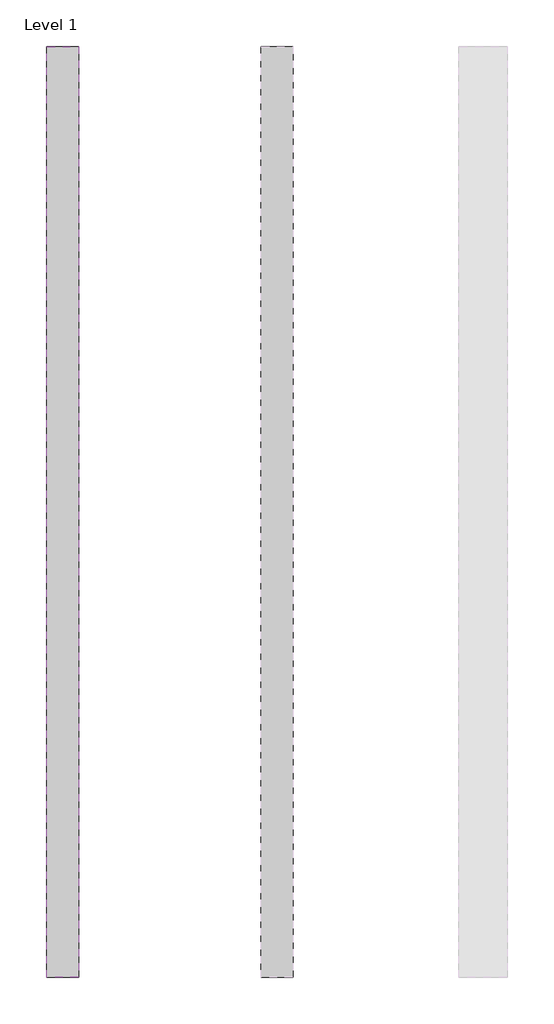
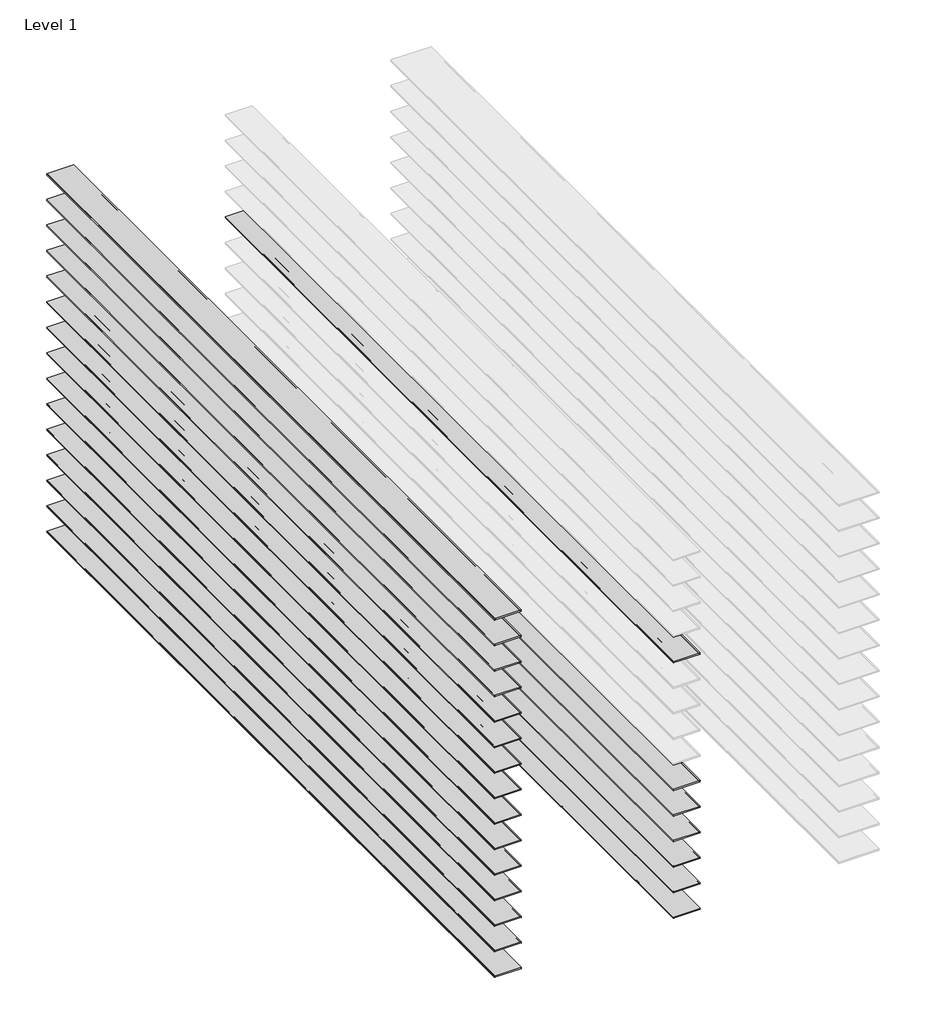
# One storey, part 1 of 3: 22 proxies.
"""IFC4 building model written with IfcOpenShell, lengths in millimetres."""

from ifc_helpers import new_model, si_unit, point, frame, frame_2d, origin, place, context, project, spatial, polyline, circle_curve, trimmed, segment, composite_curve, outline, extrude, element, save
from ifc_brep_helpers import plane_surface, revolved_surface, advanced_brep

model = new_model("IFC4")

# Units and contexts
model_context = context("Model", 3, world=origin())
ifc_project = project(units=[si_unit("LENGTHUNIT", "METRE", prefix="MILLI")], contexts=[model_context])

# Site, building, storey
site = spatial("IfcSite", under=ifc_project)
building = spatial("IfcBuilding", under=site)
storey = spatial("IfcBuildingStorey", under=building, Name="Level 1", Elevation=0.0)

# Proxies
placement = place(None, origin())
element("IfcBuildingElementProxy", 1, Name="Reveals", at=placement, inside=storey, context=model_context, shape_type="AdvancedBrep", body=[
    advanced_brep(
    [(-17571.0026773, 3227.6377356, 1209.675), (-17571.0026773, 3227.6377356, 1219.2), (-17774.2026773, 3227.6377356, 1219.2), (-17774.2026773, 3227.6377356, 1209.675), (-17571.0026773, 9069.6377356, 1209.675), (-17774.2026773, 9069.6377356, 1209.675), (-17774.2026773, 9069.6377356, 1219.2), (-17571.0026773, 9069.6377356, 1219.2)],
    [
        (0, 1, circle_curve(frame((-17571.0026773, 3227.6377356, 1214.4375), z_axis=(0.0, 1.0, 0.0), x_axis=(1.0, 0.0, 0.0)), 4.7625)),
        (1, 2),
        (2, 3, circle_curve(frame((-17774.2026773, 3227.6377356, 1214.4375), z_axis=(0.0, 1.0, 0.0), x_axis=(1.0, 0.0, 0.0)), 4.7625)),
        (3, 0),
        (4, 5),
        (5, 6, circle_curve(frame((-17774.2026773, 9069.6377356, 1214.4375), z_axis=(0.0, -1.0, 0.0), x_axis=(1.0, 0.0, 0.0)), 4.7625)),
        (6, 7),
        (7, 4, circle_curve(frame((-17571.0026773, 9069.6377356, 1214.4375), z_axis=(0.0, -1.0, 0.0), x_axis=(1.0, 0.0, 0.0)), 4.7625)),
        (0, 4),
        (7, 1),
        (6, 2),
        (5, 3),
    ],
    [
        plane_surface(frame((-17977.625797, 3227.6377356, 1219.2), z_axis=(0.0, -1.0, 0.0), x_axis=(0.0, 0.0, 1.0))),
        plane_surface(frame((-17977.625797, 9069.6377356, 1219.2), z_axis=(0.0, 1.0, 0.0), x_axis=(0.0, 0.0, 1.0))),
        revolved_surface(polyline([(-17566.2401773, 9069.6377356, 1214.4375), (-17566.2401773, 3227.6377356, 1214.4375)]), (-17571.0026773, 3227.6377356, 1214.4375), (0.0, 1.0, 0.0)),
        plane_surface(frame((-17571.0026773, 3227.6377356, 1219.2), z_axis=(0.0, 0.0, 1.0), x_axis=(0.0, 1.0, 0.0))),
        revolved_surface(polyline([(-17769.4401773, 9069.6377356, 1214.4375), (-17769.4401773, 3227.6377356, 1214.4375)]), (-17774.2026773, 3227.6377356, 1214.4375), (0.0, 1.0, 0.0)),
        plane_surface(frame((-17774.2026773, 3227.6377356, 1209.675), z_axis=(0.0, 0.0, -1.0), x_axis=(0.0, 1.0, 0.0))),
    ],
    [
        (0, [[1, 2, 3, 4]]),
        (1, [[5, 6, 7, 8]]),
        (2, [[-1, 9, -8, 10]]),
        (3, [[-2, -10, -7, 11]]),
        (4, [[-3, -11, -6, 12]]),
        (5, [[-4, -12, -5, -9]]),
    ],
),
])
element("IfcBuildingElementProxy", 2, Name="Reveals", at=placement, inside=storey, context=model_context, shape_type="AdvancedBrep", body=[
    advanced_brep(
    [(-17571.0026773, 3227.6377356, 1006.475), (-17571.0026773, 3227.6377356, 1016.0), (-17774.2026773, 3227.6377356, 1016.0), (-17774.2026773, 3227.6377356, 1006.475), (-17571.0026773, 9069.6377356, 1006.475), (-17774.2026773, 9069.6377356, 1006.475), (-17774.2026773, 9069.6377356, 1016.0), (-17571.0026773, 9069.6377356, 1016.0)],
    [
        (0, 1, circle_curve(frame((-17571.0026773, 3227.6377356, 1011.2375), z_axis=(0.0, 1.0, 0.0), x_axis=(1.0, 0.0, 0.0)), 4.7625)),
        (1, 2),
        (2, 3, circle_curve(frame((-17774.2026773, 3227.6377356, 1011.2375), z_axis=(0.0, 1.0, 0.0), x_axis=(1.0, 0.0, 0.0)), 4.7625)),
        (3, 0),
        (4, 5),
        (5, 6, circle_curve(frame((-17774.2026773, 9069.6377356, 1011.2375), z_axis=(0.0, -1.0, 0.0), x_axis=(1.0, 0.0, 0.0)), 4.7625)),
        (6, 7),
        (7, 4, circle_curve(frame((-17571.0026773, 9069.6377356, 1011.2375), z_axis=(0.0, -1.0, 0.0), x_axis=(1.0, 0.0, 0.0)), 4.7625)),
        (0, 4),
        (7, 1),
        (6, 2),
        (5, 3),
    ],
    [
        plane_surface(frame((-17977.625797, 3227.6377356, 1016.0), z_axis=(0.0, -1.0, 0.0), x_axis=(0.0, 0.0, 1.0))),
        plane_surface(frame((-17977.625797, 9069.6377356, 1016.0), z_axis=(0.0, 1.0, 0.0), x_axis=(0.0, 0.0, 1.0))),
        revolved_surface(polyline([(-17566.2401773, 9069.6377356, 1011.2375), (-17566.2401773, 3227.6377356, 1011.2375)]), (-17571.0026773, 3227.6377356, 1011.2375), (0.0, 1.0, 0.0)),
        plane_surface(frame((-17571.0026773, 3227.6377356, 1016.0), z_axis=(0.0, 0.0, 1.0), x_axis=(0.0, 1.0, 0.0))),
        revolved_surface(polyline([(-17769.4401773, 9069.6377356, 1011.2375), (-17769.4401773, 3227.6377356, 1011.2375)]), (-17774.2026773, 3227.6377356, 1011.2375), (0.0, 1.0, 0.0)),
        plane_surface(frame((-17774.2026773, 3227.6377356, 1006.475), z_axis=(0.0, 0.0, -1.0), x_axis=(0.0, 1.0, 0.0))),
    ],
    [
        (0, [[1, 2, 3, 4]]),
        (1, [[5, 6, 7, 8]]),
        (2, [[-1, 9, -8, 10]]),
        (3, [[-2, -10, -7, 11]]),
        (4, [[-3, -11, -6, 12]]),
        (5, [[-4, -12, -5, -9]]),
    ],
),
])
element("IfcBuildingElementProxy", 3, Name="Reveals", at=placement, inside=storey, context=model_context, shape_type="SweptSolid", body=[
    extrude(outline(composite_curve([segment(polyline([(-17571.0026773, 803.275), (-17774.2026773, 803.275)]), True, "CONTINUOUS"), segment(trimmed(circle_curve(frame_2d((-17774.2026773, 808.0375)), 4.7625), [point((-17774.2026773, 803.275))], [point((-17774.2026773, 812.8))], True, "CARTESIAN"), True, "CONTINUOUS"), segment(polyline([(-17774.2026773, 812.8), (-17571.0026773, 812.8)]), True, "CONTINUOUS"), segment(trimmed(circle_curve(frame_2d((-17571.0026773, 808.0375)), 4.7625), [point((-17571.0026773, 812.8))], [point((-17571.0026773, 803.275))], True, "CARTESIAN"), True, "CONTINUOUS")], self_intersect=False)), frame((0.0, 9069.6377356, 0.0), z_axis=(0.0, -1.0, 0.0), x_axis=(1.0, 0.0, 0.0)), (0.0, 0.0, 1.0), 5842.0),
])
element("IfcBuildingElementProxy", 4, Name="Reveals", at=placement, inside=storey, context=model_context, shape_type="AdvancedBrep", body=[
    advanced_brep(
    [(-17571.0026773, 3227.6377356, 600.075), (-17571.0026773, 3227.6377356, 609.6), (-17774.2026773, 3227.6377356, 609.6), (-17774.2026773, 3227.6377356, 600.075), (-17571.0026773, 9069.6377356, 600.075), (-17774.2026773, 9069.6377356, 600.075), (-17774.2026773, 9069.6377356, 609.6), (-17571.0026773, 9069.6377356, 609.6)],
    [
        (0, 1, circle_curve(frame((-17571.0026773, 3227.6377356, 604.8375), z_axis=(0.0, 1.0, 0.0), x_axis=(1.0, 0.0, 0.0)), 4.7625)),
        (1, 2),
        (2, 3, circle_curve(frame((-17774.2026773, 3227.6377356, 604.8375), z_axis=(0.0, 1.0, 0.0), x_axis=(1.0, 0.0, 0.0)), 4.7625)),
        (3, 0),
        (4, 5),
        (5, 6, circle_curve(frame((-17774.2026773, 9069.6377356, 604.8375), z_axis=(0.0, -1.0, 0.0), x_axis=(1.0, 0.0, 0.0)), 4.7625)),
        (6, 7),
        (7, 4, circle_curve(frame((-17571.0026773, 9069.6377356, 604.8375), z_axis=(0.0, -1.0, 0.0), x_axis=(1.0, 0.0, 0.0)), 4.7625)),
        (0, 4),
        (7, 1),
        (6, 2),
        (5, 3),
    ],
    [
        plane_surface(frame((-17977.625797, 3227.6377356, 609.6), z_axis=(0.0, -1.0, 0.0), x_axis=(0.0, 0.0, 1.0))),
        plane_surface(frame((-17977.625797, 9069.6377356, 609.6), z_axis=(0.0, 1.0, 0.0), x_axis=(0.0, 0.0, 1.0))),
        revolved_surface(polyline([(-17566.2401773, 9069.6377356, 604.8375), (-17566.2401773, 3227.6377356, 604.8375)]), (-17571.0026773, 3227.6377356, 604.8375), (0.0, 1.0, 0.0)),
        plane_surface(frame((-17571.0026773, 3227.6377356, 609.6), z_axis=(0.0, 0.0, 1.0), x_axis=(0.0, 1.0, 0.0))),
        revolved_surface(polyline([(-17769.4401773, 9069.6377356, 604.8375), (-17769.4401773, 3227.6377356, 604.8375)]), (-17774.2026773, 3227.6377356, 604.8375), (0.0, 1.0, 0.0)),
        plane_surface(frame((-17774.2026773, 3227.6377356, 600.075), z_axis=(0.0, 0.0, -1.0), x_axis=(0.0, 1.0, 0.0))),
    ],
    [
        (0, [[1, 2, 3, 4]]),
        (1, [[5, 6, 7, 8]]),
        (2, [[-1, 9, -8, 10]]),
        (3, [[-2, -10, -7, 11]]),
        (4, [[-3, -11, -6, 12]]),
        (5, [[-4, -12, -5, -9]]),
    ],
),
])
element("IfcBuildingElementProxy", 5, Name="Reveals", at=placement, inside=storey, context=model_context, shape_type="SweptSolid", body=[
    extrude(outline(composite_curve([segment(trimmed(circle_curve(frame_2d((401.6375, -17571.0026773)), 4.7625), [point((396.875, -17571.0026773))], [point((406.4, -17571.0026773))], True, "CARTESIAN"), True, "CONTINUOUS"), segment(polyline([(406.4, -17571.0026773), (406.4, -17774.2026773)]), True, "CONTINUOUS"), segment(trimmed(circle_curve(frame_2d((401.6375, -17774.2026773)), 4.7625), [point((406.4, -17774.2026773))], [point((396.875, -17774.2026773))], True, "CARTESIAN"), True, "CONTINUOUS"), segment(polyline([(396.875, -17774.2026773), (396.875, -17571.0026773)]), True, "CONTINUOUS")], self_intersect=False)), frame((0.0, 3227.6377356, 0.0), z_axis=(0.0, 1.0, 0.0), x_axis=(0.0, 0.0, 1.0)), (0.0, 0.0, 1.0), 5842.0),
])
element("IfcBuildingElementProxy", 6, Name="Reveals", at=placement, inside=storey, context=model_context, shape_type="SweptSolid", body=[
    extrude(outline(composite_curve([segment(trimmed(circle_curve(frame_2d((198.4375, -17571.0026773)), 4.7625), [point((193.675, -17571.0026773))], [point((203.2, -17571.0026773))], True, "CARTESIAN"), True, "CONTINUOUS"), segment(polyline([(203.2, -17571.0026773), (203.2, -17774.2026773)]), True, "CONTINUOUS"), segment(trimmed(circle_curve(frame_2d((198.4375, -17774.2026773)), 4.7625), [point((203.2, -17774.2026773))], [point((193.675, -17774.2026773))], True, "CARTESIAN"), True, "CONTINUOUS"), segment(polyline([(193.675, -17774.2026773), (193.675, -17571.0026773)]), True, "CONTINUOUS")], self_intersect=False)), frame((0.0, 3227.6377356, 0.0), z_axis=(0.0, 1.0, 0.0), x_axis=(0.0, 0.0, 1.0)), (0.0, 0.0, 1.0), 5842.0),
])
element("IfcBuildingElementProxy", 7, Name="Reveals", at=placement, inside=storey, context=model_context, shape_type="AdvancedBrep", body=[
    advanced_brep(
    [(-17571.0026773, 3227.6377356, 2225.675), (-17571.0026773, 3227.6377356, 2235.2), (-17774.2026773, 3227.6377356, 2235.2), (-17774.2026773, 3227.6377356, 2225.675), (-17571.0026773, 9069.6377356, 2225.675), (-17774.2026773, 9069.6377356, 2225.675), (-17774.2026773, 9069.6377356, 2235.2), (-17571.0026773, 9069.6377356, 2235.2)],
    [
        (0, 1, circle_curve(frame((-17571.0026773, 3227.6377356, 2230.4375), z_axis=(0.0, 1.0, 0.0), x_axis=(1.0, 0.0, 0.0)), 4.7625)),
        (1, 2),
        (2, 3, circle_curve(frame((-17774.2026773, 3227.6377356, 2230.4375), z_axis=(0.0, 1.0, 0.0), x_axis=(1.0, 0.0, 0.0)), 4.7625)),
        (3, 0),
        (4, 5),
        (5, 6, circle_curve(frame((-17774.2026773, 9069.6377356, 2230.4375), z_axis=(0.0, -1.0, 0.0), x_axis=(1.0, 0.0, 0.0)), 4.7625)),
        (6, 7),
        (7, 4, circle_curve(frame((-17571.0026773, 9069.6377356, 2230.4375), z_axis=(0.0, -1.0, 0.0), x_axis=(1.0, 0.0, 0.0)), 4.7625)),
        (0, 4),
        (7, 1),
        (6, 2),
        (5, 3),
    ],
    [
        plane_surface(frame((-17977.625797, 3227.6377356, 2235.2), z_axis=(0.0, -1.0, 0.0), x_axis=(0.0, 0.0, 1.0))),
        plane_surface(frame((-17977.625797, 9069.6377356, 2235.2), z_axis=(0.0, 1.0, 0.0), x_axis=(0.0, 0.0, 1.0))),
        revolved_surface(polyline([(-17566.2401773, 9069.6377356, 2230.4375), (-17566.2401773, 3227.6377356, 2230.4375)]), (-17571.0026773, 3227.6377356, 2230.4375), (0.0, 1.0, 0.0)),
        plane_surface(frame((-17571.0026773, 3227.6377356, 2235.2), z_axis=(0.0, 0.0, 1.0), x_axis=(0.0, 1.0, 0.0))),
        revolved_surface(polyline([(-17769.4401773, 9069.6377356, 2230.4375), (-17769.4401773, 3227.6377356, 2230.4375)]), (-17774.2026773, 3227.6377356, 2230.4375), (0.0, 1.0, 0.0)),
        plane_surface(frame((-17774.2026773, 3227.6377356, 2225.675), z_axis=(0.0, 0.0, -1.0), x_axis=(0.0, 1.0, 0.0))),
    ],
    [
        (0, [[1, 2, 3, 4]]),
        (1, [[5, 6, 7, 8]]),
        (2, [[-1, 9, -8, 10]]),
        (3, [[-2, -10, -7, 11]]),
        (4, [[-3, -11, -6, 12]]),
        (5, [[-4, -12, -5, -9]]),
    ],
),
])
element("IfcBuildingElementProxy", 8, Name="Reveals", at=placement, inside=storey, context=model_context, shape_type="AdvancedBrep", body=[
    advanced_brep(
    [(-18917.2026773, 3227.6377356, 1209.675), (-18917.2026773, 3227.6377356, 1219.2), (-19120.4026773, 3227.6377356, 1219.2), (-19120.4026773, 3227.6377356, 1209.675), (-18917.2026773, 9069.6377356, 1209.675), (-19120.4026773, 9069.6377356, 1209.675), (-19120.4026773, 9069.6377356, 1219.2), (-18917.2026773, 9069.6377356, 1219.2)],
    [
        (0, 1, circle_curve(frame((-18917.2026773, 3227.6377356, 1214.4375), z_axis=(0.0, 1.0, 0.0), x_axis=(1.0, 0.0, 0.0)), 4.7625)),
        (1, 2),
        (2, 3, circle_curve(frame((-19120.4026773, 3227.6377356, 1214.4375), z_axis=(0.0, 1.0, 0.0), x_axis=(1.0, 0.0, 0.0)), 4.7625)),
        (3, 0),
        (4, 5),
        (5, 6, circle_curve(frame((-19120.4026773, 9069.6377356, 1214.4375), z_axis=(0.0, -1.0, 0.0), x_axis=(1.0, 0.0, 0.0)), 4.7625)),
        (6, 7),
        (7, 4, circle_curve(frame((-18917.2026773, 9069.6377356, 1214.4375), z_axis=(0.0, -1.0, 0.0), x_axis=(1.0, 0.0, 0.0)), 4.7625)),
        (0, 4),
        (7, 1),
        (6, 2),
        (5, 3),
    ],
    [
        plane_surface(frame((-19323.825797, 3227.6377356, 1219.2), z_axis=(0.0, -1.0, 0.0), x_axis=(0.0, 0.0, 1.0))),
        plane_surface(frame((-19323.825797, 9069.6377356, 1219.2), z_axis=(0.0, 1.0, 0.0), x_axis=(0.0, 0.0, 1.0))),
        revolved_surface(polyline([(-18912.4401773, 9069.6377356, 1214.4375), (-18912.4401773, 3227.6377356, 1214.4375)]), (-18917.2026773, 3227.6377356, 1214.4375), (0.0, 1.0, 0.0)),
        plane_surface(frame((-18917.2026773, 3227.6377356, 1219.2), z_axis=(0.0, 0.0, 1.0), x_axis=(0.0, 1.0, 0.0))),
        revolved_surface(polyline([(-19115.6401773, 9069.6377356, 1214.4375), (-19115.6401773, 3227.6377356, 1214.4375)]), (-19120.4026773, 3227.6377356, 1214.4375), (0.0, 1.0, 0.0)),
        plane_surface(frame((-19120.4026773, 3227.6377356, 1209.675), z_axis=(0.0, 0.0, -1.0), x_axis=(0.0, 1.0, 0.0))),
    ],
    [
        (0, [[1, 2, 3, 4]]),
        (1, [[5, 6, 7, 8]]),
        (2, [[-1, 9, -8, 10]]),
        (3, [[-2, -10, -7, 11]]),
        (4, [[-3, -11, -6, 12]]),
        (5, [[-4, -12, -5, -9]]),
    ],
),
])
element("IfcBuildingElementProxy", 9, Name="Reveals", at=placement, inside=storey, context=model_context, shape_type="AdvancedBrep", body=[
    advanced_brep(
    [(-18917.2026773, 3227.6377356, 1006.475), (-18917.2026773, 3227.6377356, 1016.0), (-19120.4026773, 3227.6377356, 1016.0), (-19120.4026773, 3227.6377356, 1006.475), (-18917.2026773, 9069.6377356, 1006.475), (-19120.4026773, 9069.6377356, 1006.475), (-19120.4026773, 9069.6377356, 1016.0), (-18917.2026773, 9069.6377356, 1016.0)],
    [
        (0, 1, circle_curve(frame((-18917.2026773, 3227.6377356, 1011.2375), z_axis=(0.0, 1.0, 0.0), x_axis=(1.0, 0.0, 0.0)), 4.7625)),
        (1, 2),
        (2, 3, circle_curve(frame((-19120.4026773, 3227.6377356, 1011.2375), z_axis=(0.0, 1.0, 0.0), x_axis=(1.0, 0.0, 0.0)), 4.7625)),
        (3, 0),
        (4, 5),
        (5, 6, circle_curve(frame((-19120.4026773, 9069.6377356, 1011.2375), z_axis=(0.0, -1.0, 0.0), x_axis=(1.0, 0.0, 0.0)), 4.7625)),
        (6, 7),
        (7, 4, circle_curve(frame((-18917.2026773, 9069.6377356, 1011.2375), z_axis=(0.0, -1.0, 0.0), x_axis=(1.0, 0.0, 0.0)), 4.7625)),
        (0, 4),
        (7, 1),
        (6, 2),
        (5, 3),
    ],
    [
        plane_surface(frame((-19323.825797, 3227.6377356, 1016.0), z_axis=(0.0, -1.0, 0.0), x_axis=(0.0, 0.0, 1.0))),
        plane_surface(frame((-19323.825797, 9069.6377356, 1016.0), z_axis=(0.0, 1.0, 0.0), x_axis=(0.0, 0.0, 1.0))),
        revolved_surface(polyline([(-18912.4401773, 9069.6377356, 1011.2375), (-18912.4401773, 3227.6377356, 1011.2375)]), (-18917.2026773, 3227.6377356, 1011.2375), (0.0, 1.0, 0.0)),
        plane_surface(frame((-18917.2026773, 3227.6377356, 1016.0), z_axis=(0.0, 0.0, 1.0), x_axis=(0.0, 1.0, 0.0))),
        revolved_surface(polyline([(-19115.6401773, 9069.6377356, 1011.2375), (-19115.6401773, 3227.6377356, 1011.2375)]), (-19120.4026773, 3227.6377356, 1011.2375), (0.0, 1.0, 0.0)),
        plane_surface(frame((-19120.4026773, 3227.6377356, 1006.475), z_axis=(0.0, 0.0, -1.0), x_axis=(0.0, 1.0, 0.0))),
    ],
    [
        (0, [[1, 2, 3, 4]]),
        (1, [[5, 6, 7, 8]]),
        (2, [[-1, 9, -8, 10]]),
        (3, [[-2, -10, -7, 11]]),
        (4, [[-3, -11, -6, 12]]),
        (5, [[-4, -12, -5, -9]]),
    ],
),
])
element("IfcBuildingElementProxy", 10, Name="Reveals", at=placement, inside=storey, context=model_context, shape_type="SweptSolid", body=[
    extrude(outline(composite_curve([segment(polyline([(-18917.2026773, 803.275), (-19120.4026773, 803.275)]), True, "CONTINUOUS"), segment(trimmed(circle_curve(frame_2d((-19120.4026773, 808.0375)), 4.7625), [point((-19120.4026773, 803.275))], [point((-19120.4026773, 812.8))], True, "CARTESIAN"), True, "CONTINUOUS"), segment(polyline([(-19120.4026773, 812.8), (-18917.2026773, 812.8)]), True, "CONTINUOUS"), segment(trimmed(circle_curve(frame_2d((-18917.2026773, 808.0375)), 4.7625), [point((-18917.2026773, 812.8))], [point((-18917.2026773, 803.275))], True, "CARTESIAN"), True, "CONTINUOUS")], self_intersect=False)), frame((0.0, 9069.6377356, 0.0), z_axis=(0.0, -1.0, 0.0), x_axis=(1.0, 0.0, 0.0)), (0.0, 0.0, 1.0), 5842.0),
])
element("IfcBuildingElementProxy", 11, Name="Reveals", at=placement, inside=storey, context=model_context, shape_type="AdvancedBrep", body=[
    advanced_brep(
    [(-18917.2026773, 3227.6377356, 600.075), (-18917.2026773, 3227.6377356, 609.6), (-19120.4026773, 3227.6377356, 609.6), (-19120.4026773, 3227.6377356, 600.075), (-18917.2026773, 9069.6377356, 600.075), (-19120.4026773, 9069.6377356, 600.075), (-19120.4026773, 9069.6377356, 609.6), (-18917.2026773, 9069.6377356, 609.6)],
    [
        (0, 1, circle_curve(frame((-18917.2026773, 3227.6377356, 604.8375), z_axis=(0.0, 1.0, 0.0), x_axis=(1.0, 0.0, 0.0)), 4.7625)),
        (1, 2),
        (2, 3, circle_curve(frame((-19120.4026773, 3227.6377356, 604.8375), z_axis=(0.0, 1.0, 0.0), x_axis=(1.0, 0.0, 0.0)), 4.7625)),
        (3, 0),
        (4, 5),
        (5, 6, circle_curve(frame((-19120.4026773, 9069.6377356, 604.8375), z_axis=(0.0, -1.0, 0.0), x_axis=(1.0, 0.0, 0.0)), 4.7625)),
        (6, 7),
        (7, 4, circle_curve(frame((-18917.2026773, 9069.6377356, 604.8375), z_axis=(0.0, -1.0, 0.0), x_axis=(1.0, 0.0, 0.0)), 4.7625)),
        (0, 4),
        (7, 1),
        (6, 2),
        (5, 3),
    ],
    [
        plane_surface(frame((-19323.825797, 3227.6377356, 609.6), z_axis=(0.0, -1.0, 0.0), x_axis=(0.0, 0.0, 1.0))),
        plane_surface(frame((-19323.825797, 9069.6377356, 609.6), z_axis=(0.0, 1.0, 0.0), x_axis=(0.0, 0.0, 1.0))),
        revolved_surface(polyline([(-18912.4401773, 9069.6377356, 604.8375), (-18912.4401773, 3227.6377356, 604.8375)]), (-18917.2026773, 3227.6377356, 604.8375), (0.0, 1.0, 0.0)),
        plane_surface(frame((-18917.2026773, 3227.6377356, 609.6), z_axis=(0.0, 0.0, 1.0), x_axis=(0.0, 1.0, 0.0))),
        revolved_surface(polyline([(-19115.6401773, 9069.6377356, 604.8375), (-19115.6401773, 3227.6377356, 604.8375)]), (-19120.4026773, 3227.6377356, 604.8375), (0.0, 1.0, 0.0)),
        plane_surface(frame((-19120.4026773, 3227.6377356, 600.075), z_axis=(0.0, 0.0, -1.0), x_axis=(0.0, 1.0, 0.0))),
    ],
    [
        (0, [[1, 2, 3, 4]]),
        (1, [[5, 6, 7, 8]]),
        (2, [[-1, 9, -8, 10]]),
        (3, [[-2, -10, -7, 11]]),
        (4, [[-3, -11, -6, 12]]),
        (5, [[-4, -12, -5, -9]]),
    ],
),
])
element("IfcBuildingElementProxy", 12, Name="Reveals", at=placement, inside=storey, context=model_context, shape_type="SweptSolid", body=[
    extrude(outline(composite_curve([segment(trimmed(circle_curve(frame_2d((401.6375, -18917.2026773)), 4.7625), [point((396.875, -18917.2026773))], [point((406.4, -18917.2026773))], True, "CARTESIAN"), True, "CONTINUOUS"), segment(polyline([(406.4, -18917.2026773), (406.4, -19120.4026773)]), True, "CONTINUOUS"), segment(trimmed(circle_curve(frame_2d((401.6375, -19120.4026773)), 4.7625), [point((406.4, -19120.4026773))], [point((396.875, -19120.4026773))], True, "CARTESIAN"), True, "CONTINUOUS"), segment(polyline([(396.875, -19120.4026773), (396.875, -18917.2026773)]), True, "CONTINUOUS")], self_intersect=False)), frame((0.0, 3227.6377356, 0.0), z_axis=(0.0, 1.0, 0.0), x_axis=(0.0, 0.0, 1.0)), (0.0, 0.0, 1.0), 5842.0),
])
element("IfcBuildingElementProxy", 13, Name="Reveals", at=placement, inside=storey, context=model_context, shape_type="SweptSolid", body=[
    extrude(outline(composite_curve([segment(trimmed(circle_curve(frame_2d((198.4375, -18917.2026773)), 4.7625), [point((193.675, -18917.2026773))], [point((203.2, -18917.2026773))], True, "CARTESIAN"), True, "CONTINUOUS"), segment(polyline([(203.2, -18917.2026773), (203.2, -19120.4026773)]), True, "CONTINUOUS"), segment(trimmed(circle_curve(frame_2d((198.4375, -19120.4026773)), 4.7625), [point((203.2, -19120.4026773))], [point((193.675, -19120.4026773))], True, "CARTESIAN"), True, "CONTINUOUS"), segment(polyline([(193.675, -19120.4026773), (193.675, -18917.2026773)]), True, "CONTINUOUS")], self_intersect=False)), frame((0.0, 3227.6377356, 0.0), z_axis=(0.0, 1.0, 0.0), x_axis=(0.0, 0.0, 1.0)), (0.0, 0.0, 1.0), 5842.0),
])
element("IfcBuildingElementProxy", 14, Name="Reveals", at=placement, inside=storey, context=model_context, shape_type="AdvancedBrep", body=[
    advanced_brep(
    [(-18917.2026773, 3227.6377356, 2225.675), (-18917.2026773, 3227.6377356, 2235.2), (-19120.4026773, 3227.6377356, 2235.2), (-19120.4026773, 3227.6377356, 2225.675), (-18917.2026773, 9069.6377356, 2225.675), (-19120.4026773, 9069.6377356, 2225.675), (-19120.4026773, 9069.6377356, 2235.2), (-18917.2026773, 9069.6377356, 2235.2)],
    [
        (0, 1, circle_curve(frame((-18917.2026773, 3227.6377356, 2230.4375), z_axis=(0.0, 1.0, 0.0), x_axis=(1.0, 0.0, 0.0)), 4.7625)),
        (1, 2),
        (2, 3, circle_curve(frame((-19120.4026773, 3227.6377356, 2230.4375), z_axis=(0.0, 1.0, 0.0), x_axis=(1.0, 0.0, 0.0)), 4.7625)),
        (3, 0),
        (4, 5),
        (5, 6, circle_curve(frame((-19120.4026773, 9069.6377356, 2230.4375), z_axis=(0.0, -1.0, 0.0), x_axis=(1.0, 0.0, 0.0)), 4.7625)),
        (6, 7),
        (7, 4, circle_curve(frame((-18917.2026773, 9069.6377356, 2230.4375), z_axis=(0.0, -1.0, 0.0), x_axis=(1.0, 0.0, 0.0)), 4.7625)),
        (0, 4),
        (7, 1),
        (6, 2),
        (5, 3),
    ],
    [
        plane_surface(frame((-19323.825797, 3227.6377356, 2235.2), z_axis=(0.0, -1.0, 0.0), x_axis=(0.0, 0.0, 1.0))),
        plane_surface(frame((-19323.825797, 9069.6377356, 2235.2), z_axis=(0.0, 1.0, 0.0), x_axis=(0.0, 0.0, 1.0))),
        revolved_surface(polyline([(-18912.4401773, 9069.6377356, 2230.4375), (-18912.4401773, 3227.6377356, 2230.4375)]), (-18917.2026773, 3227.6377356, 2230.4375), (0.0, 1.0, 0.0)),
        plane_surface(frame((-18917.2026773, 3227.6377356, 2235.2), z_axis=(0.0, 0.0, 1.0), x_axis=(0.0, 1.0, 0.0))),
        revolved_surface(polyline([(-19115.6401773, 9069.6377356, 2230.4375), (-19115.6401773, 3227.6377356, 2230.4375)]), (-19120.4026773, 3227.6377356, 2230.4375), (0.0, 1.0, 0.0)),
        plane_surface(frame((-19120.4026773, 3227.6377356, 2225.675), z_axis=(0.0, 0.0, -1.0), x_axis=(0.0, 1.0, 0.0))),
    ],
    [
        (0, [[1, 2, 3, 4]]),
        (1, [[5, 6, 7, 8]]),
        (2, [[-1, 9, -8, 10]]),
        (3, [[-2, -10, -7, 11]]),
        (4, [[-3, -11, -6, 12]]),
        (5, [[-4, -12, -5, -9]]),
    ],
),
])
element("IfcBuildingElementProxy", 15, Name="Reveals", at=placement, inside=storey, context=model_context, shape_type="AdvancedBrep", body=[
    advanced_brep(
    [(-18917.2026773, 3227.6377356, 2022.475), (-18917.2026773, 3227.6377356, 2032.0), (-19120.4026773, 3227.6377356, 2032.0), (-19120.4026773, 3227.6377356, 2022.475), (-18917.2026773, 9069.6377356, 2022.475), (-19120.4026773, 9069.6377356, 2022.475), (-19120.4026773, 9069.6377356, 2032.0), (-18917.2026773, 9069.6377356, 2032.0)],
    [
        (0, 1, circle_curve(frame((-18917.2026773, 3227.6377356, 2027.2375), z_axis=(0.0, 1.0, 0.0), x_axis=(1.0, 0.0, 0.0)), 4.7625)),
        (1, 2),
        (2, 3, circle_curve(frame((-19120.4026773, 3227.6377356, 2027.2375), z_axis=(0.0, 1.0, 0.0), x_axis=(1.0, 0.0, 0.0)), 4.7625)),
        (3, 0),
        (4, 5),
        (5, 6, circle_curve(frame((-19120.4026773, 9069.6377356, 2027.2375), z_axis=(0.0, -1.0, 0.0), x_axis=(1.0, 0.0, 0.0)), 4.7625)),
        (6, 7),
        (7, 4, circle_curve(frame((-18917.2026773, 9069.6377356, 2027.2375), z_axis=(0.0, -1.0, 0.0), x_axis=(1.0, 0.0, 0.0)), 4.7625)),
        (0, 4),
        (7, 1),
        (6, 2),
        (5, 3),
    ],
    [
        plane_surface(frame((-19323.825797, 3227.6377356, 2032.0), z_axis=(0.0, -1.0, 0.0), x_axis=(0.0, 0.0, 1.0))),
        plane_surface(frame((-19323.825797, 9069.6377356, 2032.0), z_axis=(0.0, 1.0, 0.0), x_axis=(0.0, 0.0, 1.0))),
        revolved_surface(polyline([(-18912.4401773, 9069.6377356, 2027.2375), (-18912.4401773, 3227.6377356, 2027.2375)]), (-18917.2026773, 3227.6377356, 2027.2375), (0.0, 1.0, 0.0)),
        plane_surface(frame((-18917.2026773, 3227.6377356, 2032.0), z_axis=(0.0, 0.0, 1.0), x_axis=(0.0, 1.0, 0.0))),
        revolved_surface(polyline([(-19115.6401773, 9069.6377356, 2027.2375), (-19115.6401773, 3227.6377356, 2027.2375)]), (-19120.4026773, 3227.6377356, 2027.2375), (0.0, 1.0, 0.0)),
        plane_surface(frame((-19120.4026773, 3227.6377356, 2022.475), z_axis=(0.0, 0.0, -1.0), x_axis=(0.0, 1.0, 0.0))),
    ],
    [
        (0, [[1, 2, 3, 4]]),
        (1, [[5, 6, 7, 8]]),
        (2, [[-1, 9, -8, 10]]),
        (3, [[-2, -10, -7, 11]]),
        (4, [[-3, -11, -6, 12]]),
        (5, [[-4, -12, -5, -9]]),
    ],
),
])
element("IfcBuildingElementProxy", 16, Name="Reveals", at=placement, inside=storey, context=model_context, shape_type="AdvancedBrep", body=[
    advanced_brep(
    [(-18917.2026773, 3227.6377356, 1819.275), (-18917.2026773, 3227.6377356, 1828.8), (-19120.4026773, 3227.6377356, 1828.8), (-19120.4026773, 3227.6377356, 1819.275), (-18917.2026773, 9069.6377356, 1819.275), (-19120.4026773, 9069.6377356, 1819.275), (-19120.4026773, 9069.6377356, 1828.8), (-18917.2026773, 9069.6377356, 1828.8)],
    [
        (0, 1, circle_curve(frame((-18917.2026773, 3227.6377356, 1824.0375), z_axis=(0.0, 1.0, 0.0), x_axis=(1.0, 0.0, 0.0)), 4.7625)),
        (1, 2),
        (2, 3, circle_curve(frame((-19120.4026773, 3227.6377356, 1824.0375), z_axis=(0.0, 1.0, 0.0), x_axis=(1.0, 0.0, 0.0)), 4.7625)),
        (3, 0),
        (4, 5),
        (5, 6, circle_curve(frame((-19120.4026773, 9069.6377356, 1824.0375), z_axis=(0.0, -1.0, 0.0), x_axis=(1.0, 0.0, 0.0)), 4.7625)),
        (6, 7),
        (7, 4, circle_curve(frame((-18917.2026773, 9069.6377356, 1824.0375), z_axis=(0.0, -1.0, 0.0), x_axis=(1.0, 0.0, 0.0)), 4.7625)),
        (0, 4),
        (7, 1),
        (6, 2),
        (5, 3),
    ],
    [
        plane_surface(frame((-19323.825797, 3227.6377356, 1828.8), z_axis=(0.0, -1.0, 0.0), x_axis=(0.0, 0.0, 1.0))),
        plane_surface(frame((-19323.825797, 9069.6377356, 1828.8), z_axis=(0.0, 1.0, 0.0), x_axis=(0.0, 0.0, 1.0))),
        revolved_surface(polyline([(-18912.4401773, 9069.6377356, 1824.0375), (-18912.4401773, 3227.6377356, 1824.0375)]), (-18917.2026773, 3227.6377356, 1824.0375), (0.0, 1.0, 0.0)),
        plane_surface(frame((-18917.2026773, 3227.6377356, 1828.8), z_axis=(0.0, 0.0, 1.0), x_axis=(0.0, 1.0, 0.0))),
        revolved_surface(polyline([(-19115.6401773, 9069.6377356, 1824.0375), (-19115.6401773, 3227.6377356, 1824.0375)]), (-19120.4026773, 3227.6377356, 1824.0375), (0.0, 1.0, 0.0)),
        plane_surface(frame((-19120.4026773, 3227.6377356, 1819.275), z_axis=(0.0, 0.0, -1.0), x_axis=(0.0, 1.0, 0.0))),
    ],
    [
        (0, [[1, 2, 3, 4]]),
        (1, [[5, 6, 7, 8]]),
        (2, [[-1, 9, -8, 10]]),
        (3, [[-2, -10, -7, 11]]),
        (4, [[-3, -11, -6, 12]]),
        (5, [[-4, -12, -5, -9]]),
    ],
),
])
element("IfcBuildingElementProxy", 17, Name="Reveals", at=placement, inside=storey, context=model_context, shape_type="AdvancedBrep", body=[
    advanced_brep(
    [(-18917.2026773, 3227.6377356, 1616.075), (-18917.2026773, 3227.6377356, 1625.6), (-19120.4026773, 3227.6377356, 1625.6), (-19120.4026773, 3227.6377356, 1616.075), (-18917.2026773, 9069.6377356, 1616.075), (-19120.4026773, 9069.6377356, 1616.075), (-19120.4026773, 9069.6377356, 1625.6), (-18917.2026773, 9069.6377356, 1625.6)],
    [
        (0, 1, circle_curve(frame((-18917.2026773, 3227.6377356, 1620.8375), z_axis=(0.0, 1.0, 0.0), x_axis=(1.0, 0.0, 0.0)), 4.7625)),
        (1, 2),
        (2, 3, circle_curve(frame((-19120.4026773, 3227.6377356, 1620.8375), z_axis=(0.0, 1.0, 0.0), x_axis=(1.0, 0.0, 0.0)), 4.7625)),
        (3, 0),
        (4, 5),
        (5, 6, circle_curve(frame((-19120.4026773, 9069.6377356, 1620.8375), z_axis=(0.0, -1.0, 0.0), x_axis=(1.0, 0.0, 0.0)), 4.7625)),
        (6, 7),
        (7, 4, circle_curve(frame((-18917.2026773, 9069.6377356, 1620.8375), z_axis=(0.0, -1.0, 0.0), x_axis=(1.0, 0.0, 0.0)), 4.7625)),
        (0, 4),
        (7, 1),
        (6, 2),
        (5, 3),
    ],
    [
        plane_surface(frame((-19323.825797, 3227.6377356, 1625.6), z_axis=(0.0, -1.0, 0.0), x_axis=(0.0, 0.0, 1.0))),
        plane_surface(frame((-19323.825797, 9069.6377356, 1625.6), z_axis=(0.0, 1.0, 0.0), x_axis=(0.0, 0.0, 1.0))),
        revolved_surface(polyline([(-18912.4401773, 9069.6377356, 1620.8375), (-18912.4401773, 3227.6377356, 1620.8375)]), (-18917.2026773, 3227.6377356, 1620.8375), (0.0, 1.0, 0.0)),
        plane_surface(frame((-18917.2026773, 3227.6377356, 1625.6), z_axis=(0.0, 0.0, 1.0), x_axis=(0.0, 1.0, 0.0))),
        revolved_surface(polyline([(-19115.6401773, 9069.6377356, 1620.8375), (-19115.6401773, 3227.6377356, 1620.8375)]), (-19120.4026773, 3227.6377356, 1620.8375), (0.0, 1.0, 0.0)),
        plane_surface(frame((-19120.4026773, 3227.6377356, 1616.075), z_axis=(0.0, 0.0, -1.0), x_axis=(0.0, 1.0, 0.0))),
    ],
    [
        (0, [[1, 2, 3, 4]]),
        (1, [[5, 6, 7, 8]]),
        (2, [[-1, 9, -8, 10]]),
        (3, [[-2, -10, -7, 11]]),
        (4, [[-3, -11, -6, 12]]),
        (5, [[-4, -12, -5, -9]]),
    ],
),
])
element("IfcBuildingElementProxy", 18, Name="Reveals", at=placement, inside=storey, context=model_context, shape_type="SweptSolid", body=[
    extrude(outline(composite_curve([segment(polyline([(-18917.2026773, 1412.875), (-19120.4026773, 1412.875)]), True, "CONTINUOUS"), segment(trimmed(circle_curve(frame_2d((-19120.4026773, 1417.6375)), 4.7625), [point((-19120.4026773, 1412.875))], [point((-19120.4026773, 1422.4))], True, "CARTESIAN"), True, "CONTINUOUS"), segment(polyline([(-19120.4026773, 1422.4), (-18917.2026773, 1422.4)]), True, "CONTINUOUS"), segment(trimmed(circle_curve(frame_2d((-18917.2026773, 1417.6375)), 4.7625), [point((-18917.2026773, 1422.4))], [point((-18917.2026773, 1412.875))], True, "CARTESIAN"), True, "CONTINUOUS")], self_intersect=False)), frame((0.0, 9069.6377356, 0.0), z_axis=(0.0, -1.0, 0.0), x_axis=(1.0, 0.0, 0.0)), (0.0, 0.0, 1.0), 5842.0),
])
element("IfcBuildingElementProxy", 19, Name="Reveals", at=placement, inside=storey, context=model_context, shape_type="AdvancedBrep", body=[
    advanced_brep(
    [(-18917.2026773, 3227.6377356, 2428.875), (-18917.2026773, 3227.6377356, 2438.4), (-19120.4026773, 3227.6377356, 2438.4), (-19120.4026773, 3227.6377356, 2428.875), (-18917.2026773, 9069.6377356, 2428.875), (-19120.4026773, 9069.6377356, 2428.875), (-19120.4026773, 9069.6377356, 2438.4), (-18917.2026773, 9069.6377356, 2438.4)],
    [
        (0, 1, circle_curve(frame((-18917.2026773, 3227.6377356, 2433.6375), z_axis=(0.0, 1.0, 0.0), x_axis=(1.0, 0.0, 0.0)), 4.7625)),
        (1, 2),
        (2, 3, circle_curve(frame((-19120.4026773, 3227.6377356, 2433.6375), z_axis=(0.0, 1.0, 0.0), x_axis=(1.0, 0.0, 0.0)), 4.7625)),
        (3, 0),
        (4, 5),
        (5, 6, circle_curve(frame((-19120.4026773, 9069.6377356, 2433.6375), z_axis=(0.0, -1.0, 0.0), x_axis=(1.0, 0.0, 0.0)), 4.7625)),
        (6, 7),
        (7, 4, circle_curve(frame((-18917.2026773, 9069.6377356, 2433.6375), z_axis=(0.0, -1.0, 0.0), x_axis=(1.0, 0.0, 0.0)), 4.7625)),
        (0, 4),
        (7, 1),
        (6, 2),
        (5, 3),
    ],
    [
        plane_surface(frame((-19323.825797, 3227.6377356, 2438.4), z_axis=(0.0, -1.0, 0.0), x_axis=(0.0, 0.0, 1.0))),
        plane_surface(frame((-19323.825797, 9069.6377356, 2438.4), z_axis=(0.0, 1.0, 0.0), x_axis=(0.0, 0.0, 1.0))),
        revolved_surface(polyline([(-18912.4401773, 9069.6377356, 2433.6375), (-18912.4401773, 3227.6377356, 2433.6375)]), (-18917.2026773, 3227.6377356, 2433.6375), (0.0, 1.0, 0.0)),
        plane_surface(frame((-18917.2026773, 3227.6377356, 2438.4), z_axis=(0.0, 0.0, 1.0), x_axis=(0.0, 1.0, 0.0))),
        revolved_surface(polyline([(-19115.6401773, 9069.6377356, 2433.6375), (-19115.6401773, 3227.6377356, 2433.6375)]), (-19120.4026773, 3227.6377356, 2433.6375), (0.0, 1.0, 0.0)),
        plane_surface(frame((-19120.4026773, 3227.6377356, 2428.875), z_axis=(0.0, 0.0, -1.0), x_axis=(0.0, 1.0, 0.0))),
    ],
    [
        (0, [[1, 2, 3, 4]]),
        (1, [[5, 6, 7, 8]]),
        (2, [[-1, 9, -8, 10]]),
        (3, [[-2, -10, -7, 11]]),
        (4, [[-3, -11, -6, 12]]),
        (5, [[-4, -12, -5, -9]]),
    ],
),
])
element("IfcBuildingElementProxy", 20, Name="Reveals", at=placement, inside=storey, context=model_context, shape_type="AdvancedBrep", body=[
    advanced_brep(
    [(-18917.2026773, 3227.6377356, 2632.075), (-18917.2026773, 3227.6377356, 2641.6), (-19120.4026773, 3227.6377356, 2641.6), (-19120.4026773, 3227.6377356, 2632.075), (-18917.2026773, 9069.6377356, 2632.075), (-19120.4026773, 9069.6377356, 2632.075), (-19120.4026773, 9069.6377356, 2641.6), (-18917.2026773, 9069.6377356, 2641.6)],
    [
        (0, 1, circle_curve(frame((-18917.2026773, 3227.6377356, 2636.8375), z_axis=(0.0, 1.0, 0.0), x_axis=(1.0, 0.0, 0.0)), 4.7625)),
        (1, 2),
        (2, 3, circle_curve(frame((-19120.4026773, 3227.6377356, 2636.8375), z_axis=(0.0, 1.0, 0.0), x_axis=(1.0, 0.0, 0.0)), 4.7625)),
        (3, 0),
        (4, 5),
        (5, 6, circle_curve(frame((-19120.4026773, 9069.6377356, 2636.8375), z_axis=(0.0, -1.0, 0.0), x_axis=(1.0, 0.0, 0.0)), 4.7625)),
        (6, 7),
        (7, 4, circle_curve(frame((-18917.2026773, 9069.6377356, 2636.8375), z_axis=(0.0, -1.0, 0.0), x_axis=(1.0, 0.0, 0.0)), 4.7625)),
        (0, 4),
        (7, 1),
        (6, 2),
        (5, 3),
    ],
    [
        plane_surface(frame((-19323.825797, 3227.6377356, 2641.6), z_axis=(0.0, -1.0, 0.0), x_axis=(0.0, 0.0, 1.0))),
        plane_surface(frame((-19323.825797, 9069.6377356, 2641.6), z_axis=(0.0, 1.0, 0.0), x_axis=(0.0, 0.0, 1.0))),
        revolved_surface(polyline([(-18912.4401773, 9069.6377356, 2636.8375), (-18912.4401773, 3227.6377356, 2636.8375)]), (-18917.2026773, 3227.6377356, 2636.8375), (0.0, 1.0, 0.0)),
        plane_surface(frame((-18917.2026773, 3227.6377356, 2641.6), z_axis=(0.0, 0.0, 1.0), x_axis=(0.0, 1.0, 0.0))),
        revolved_surface(polyline([(-19115.6401773, 9069.6377356, 2636.8375), (-19115.6401773, 3227.6377356, 2636.8375)]), (-19120.4026773, 3227.6377356, 2636.8375), (0.0, 1.0, 0.0)),
        plane_surface(frame((-19120.4026773, 3227.6377356, 2632.075), z_axis=(0.0, 0.0, -1.0), x_axis=(0.0, 1.0, 0.0))),
    ],
    [
        (0, [[1, 2, 3, 4]]),
        (1, [[5, 6, 7, 8]]),
        (2, [[-1, 9, -8, 10]]),
        (3, [[-2, -10, -7, 11]]),
        (4, [[-3, -11, -6, 12]]),
        (5, [[-4, -12, -5, -9]]),
    ],
),
])
element("IfcBuildingElementProxy", 21, Name="Reveals", at=placement, inside=storey, context=model_context, shape_type="SweptSolid", body=[
    extrude(outline(composite_curve([segment(trimmed(circle_curve(frame_2d((2840.0375, -18917.2026773)), 4.7625), [point((2835.275, -18917.2026773))], [point((2844.8, -18917.2026773))], True, "CARTESIAN"), True, "CONTINUOUS"), segment(polyline([(2844.8, -18917.2026773), (2844.8, -19120.4026773)]), True, "CONTINUOUS"), segment(trimmed(circle_curve(frame_2d((2840.0375, -19120.4026773)), 4.7625), [point((2844.8, -19120.4026773))], [point((2835.275, -19120.4026773))], True, "CARTESIAN"), True, "CONTINUOUS"), segment(polyline([(2835.275, -19120.4026773), (2835.275, -18917.2026773)]), True, "CONTINUOUS")], self_intersect=False)), frame((0.0, 3227.6377356, 0.0), z_axis=(0.0, 1.0, 0.0), x_axis=(0.0, 0.0, 1.0)), (0.0, 0.0, 1.0), 5842.0),
])
element("IfcBuildingElementProxy", 22, Name="Reveals", at=placement, inside=storey, context=model_context, shape_type="SweptSolid", body=[
    extrude(outline(composite_curve([segment(trimmed(circle_curve(frame_2d((3043.2375, -18917.2026773)), 4.7625), [point((3038.475, -18917.2026773))], [point((3048.0, -18917.2026773))], True, "CARTESIAN"), True, "CONTINUOUS"), segment(polyline([(3048.0, -18917.2026773), (3048.0, -19120.4026773)]), True, "CONTINUOUS"), segment(trimmed(circle_curve(frame_2d((3043.2375, -19120.4026773)), 4.7625), [point((3048.0, -19120.4026773))], [point((3038.475, -19120.4026773))], True, "CARTESIAN"), True, "CONTINUOUS"), segment(polyline([(3038.475, -19120.4026773), (3038.475, -18917.2026773)]), True, "CONTINUOUS")], self_intersect=False)), frame((0.0, 3227.6377356, 0.0), z_axis=(0.0, 1.0, 0.0), x_axis=(0.0, 0.0, 1.0)), (0.0, 0.0, 1.0), 5842.0),
])

save(model, "model.ifc")
